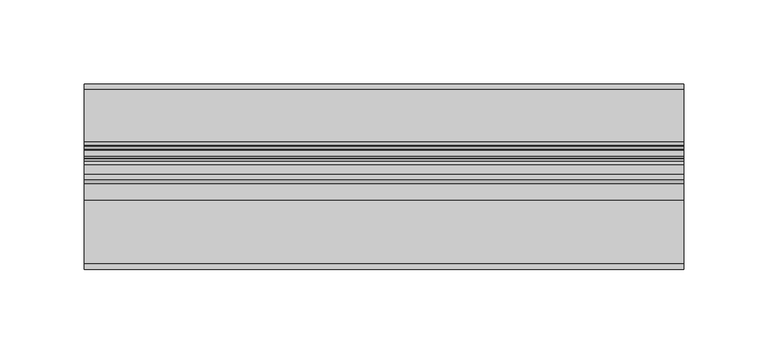
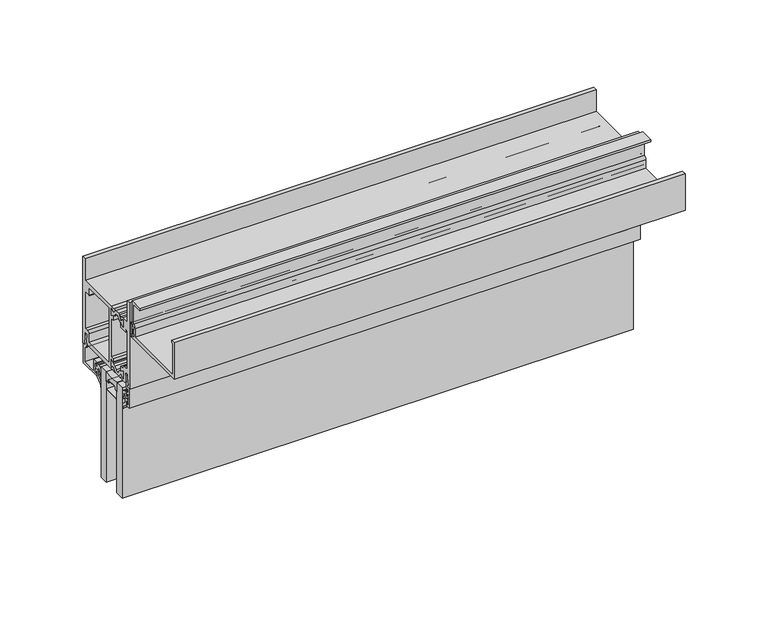
"""IFC4 building model written with IfcOpenShell, lengths in millimetres: plate geometry."""

from ifc_helpers import new_model, si_unit, point, frame, frame_2d, origin, place, context, project, spatial, polyline, circle_curve, trimmed, segment, composite_curve, outline, extrude, source, transform, mapped, element, save


def plate_1bfd8536(model_context):
    return source(origin(), model_context, "Body", "SweptSolid", [
        extrude(outline(composite_curve([segment(trimmed(circle_curve(frame_2d((-12.7, 252.348624)), 24.4943092), [point((-19.05, 228.6917289))], [point((-6.35, 228.6917289))], True, "CARTESIAN"), True, "CONTINUOUS"), segment(polyline([(-6.35, 228.6917289), (-6.35, 221.663957)]), True, "CONTINUOUS"), segment(trimmed(circle_curve(frame_2d((-7.14375, 221.663957)), 0.79375), [point((-6.35, 221.663957))], [point((-7.14375, 222.457707))], True, "CARTESIAN"), True, "CONTINUOUS"), segment(polyline([(-7.14375, 222.457707), (-8.3728775, 222.457707), (-8.3728775, 223.5556044)]), True, "CONTINUOUS"), segment(trimmed(circle_curve(frame_2d((-9.1666275, 223.5556044)), 0.79375), [point((-8.3728775, 223.5556044))], [point((-9.1666275, 224.3493544))], True, "CARTESIAN"), True, "CONTINUOUS"), segment(polyline([(-9.1666275, 224.3493544), (-16.2333725, 224.3493544)]), True, "CONTINUOUS"), segment(trimmed(circle_curve(frame_2d((-16.2333725, 223.5556044)), 0.79375), [point((-16.2333725, 224.3493544))], [point((-17.0271225, 223.5556044))], True, "CARTESIAN"), True, "CONTINUOUS"), segment(polyline([(-17.0271225, 223.5556044), (-17.0271225, 222.457707), (-18.25625, 222.457707)]), True, "CONTINUOUS"), segment(trimmed(circle_curve(frame_2d((-18.25625, 221.663957)), 0.79375), [point((-18.25625, 222.457707))], [point((-19.05, 221.663957))], True, "CARTESIAN"), True, "CONTINUOUS"), segment(polyline([(-19.05, 221.663957), (-19.05, 228.6917289)]), True, "CONTINUOUS")], self_intersect=False)), frame((-177.8, 0.0, 0.0), z_axis=(1.0, 0.0, 0.0), x_axis=(0.0, 1.0, 0.0)), (0.0, 0.0, 1.0), 355.6),
        extrude(outline(composite_curve([segment(trimmed(circle_curve(frame_2d((-23.1809622, 242.2374204)), 2.4892), [point((-24.4255622, 240.0817099))], [point((-23.5568194, 239.7767603))], True, "CARTESIAN"), True, "CONTINUOUS"), segment(trimmed(circle_curve(frame_2d((-23.9403472, 237.2658827)), 2.54), [point((-23.5568194, 239.7767603))], [point((-21.9860723, 238.8883529))], False, "CARTESIAN"), True, "CONTINUOUS"), segment(polyline([(-21.9860723, 238.8883529), (-20.6266866, 237.2509649)]), True, "CONTINUOUS"), segment(trimmed(circle_curve(frame_2d((-19.2977797, 238.3542447)), 1.7272), [point((-20.6266866, 237.2509649))], [point((-17.9688728, 237.2509649))], True, "CARTESIAN"), True, "CONTINUOUS"), segment(polyline([(-17.9688728, 237.2509649), (-16.6095134, 238.8883212)]), True, "CONTINUOUS"), segment(trimmed(circle_curve(frame_2d((-14.6552385, 237.2658509)), 2.54), [point((-16.6095134, 238.8883212))], [point((-15.0387663, 239.7767285))], False, "CARTESIAN"), True, "CONTINUOUS"), segment(trimmed(circle_curve(frame_2d((-15.4146236, 242.2373886)), 2.4892), [point((-15.0387663, 239.7767285))], [point((-14.1700236, 240.0816782))], True, "CARTESIAN"), True, "CONTINUOUS"), segment(polyline([(-14.1700236, 240.0816782), (-11.9953005, 241.3372551), (-11.9953005, 236.2412063), (-14.9359681, 237.8773974), (-17.566093, 234.7093966), (-21.029508, 234.7093966), (-23.6808354, 237.9029359), (-26.6003005, 235.8587044), (-26.6003005, 241.3372957), (-24.4255622, 240.0817099)]), True, "CONTINUOUS")], self_intersect=False)), frame((-177.8, 0.0, 0.0), z_axis=(1.0, 0.0, 0.0), x_axis=(0.0, 1.0, 0.0)), (0.0, 0.0, 1.0), 355.6),
        extrude(outline(composite_curve([segment(polyline([(-24.4255622, 275.1819988), (-26.6003005, 273.926413), (-26.6003005, 279.4050043), (-23.6808354, 277.3607728), (-21.029508, 280.5543121), (-17.566093, 280.5543121), (-14.9359681, 277.3863113), (-11.9953005, 279.0225024), (-11.9953005, 273.9264536), (-14.1700236, 275.1820305)]), True, "CONTINUOUS"), segment(trimmed(circle_curve(frame_2d((-15.4146236, 273.0263201)), 2.4892), [point((-14.1700236, 275.1820305))], [point((-15.0387663, 275.4869802))], True, "CARTESIAN"), True, "CONTINUOUS"), segment(trimmed(circle_curve(frame_2d((-14.6552385, 277.9978578)), 2.54), [point((-15.0387663, 275.4869802))], [point((-16.6095134, 276.3753875))], False, "CARTESIAN"), True, "CONTINUOUS"), segment(polyline([(-16.6095134, 276.3753875), (-17.9688728, 278.0127438)]), True, "CONTINUOUS"), segment(trimmed(circle_curve(frame_2d((-19.2977797, 276.909464)), 1.7272), [point((-17.9688728, 278.0127438))], [point((-20.6266866, 278.0127438))], True, "CARTESIAN"), True, "CONTINUOUS"), segment(polyline([(-20.6266866, 278.0127438), (-21.9860723, 276.3753558)]), True, "CONTINUOUS"), segment(trimmed(circle_curve(frame_2d((-23.9403472, 277.997826)), 2.54), [point((-21.9860723, 276.3753558))], [point((-23.5568194, 275.4869484))], False, "CARTESIAN"), True, "CONTINUOUS"), segment(trimmed(circle_curve(frame_2d((-23.1809622, 273.0262883)), 2.4892), [point((-23.5568194, 275.4869484))], [point((-24.4255622, 275.1819988))], True, "CARTESIAN"), True, "CONTINUOUS")], self_intersect=False)), frame((-177.8, 0.0, 0.0), z_axis=(1.0, 0.0, 0.0), x_axis=(0.0, 1.0, 0.0)), (0.0, 0.0, 1.0), 355.6),
        extrude(outline(composite_curve([segment(polyline([(-34.9514484, 282.0070547), (-34.9514484, 274.0822015)]), True, "CONTINUOUS"), segment(trimmed(circle_curve(frame_2d((-36.1452484, 274.0822015)), 1.1938), [point((-34.9514484, 274.0822015))], [point((-37.3390484, 274.0822015))], False, "CARTESIAN"), True, "CONTINUOUS"), segment(polyline([(-37.3390484, 274.0822015), (-37.3390484, 276.0883201), (-38.31675, 276.0883201), (-38.31675, 274.6151201), (-39.2186484, 274.6151201), (-39.2186484, 276.4693201), (-37.7962484, 276.4693201), (-37.7962484, 279.6189201), (-39.2186484, 279.6189201), (-39.2186484, 281.4731201), (-38.31675, 281.4731201), (-38.31675, 279.9999201), (-37.3390484, 279.9999201), (-37.3390484, 282.0070547)]), True, "CONTINUOUS"), segment(trimmed(circle_curve(frame_2d((-36.1452484, 282.0070547)), 1.1938), [point((-37.3390484, 282.0070547))], [point((-34.9514484, 282.0070547))], False, "CARTESIAN"), True, "CONTINUOUS")], self_intersect=False), holes=[composite_curve([segment(trimmed(circle_curve(frame_2d((-36.1452484, 282.0070547)), 0.6858), [point((-35.4594484, 282.0070547))], [point((-36.8310484, 282.0070547))], True, "CARTESIAN"), True, "CONTINUOUS"), segment(polyline([(-36.8310484, 282.0070547), (-36.8310484, 274.0822015)]), True, "CONTINUOUS"), segment(trimmed(circle_curve(frame_2d((-36.1452484, 274.0822015)), 0.6858), [point((-36.8310484, 274.0822015))], [point((-35.4594484, 274.0822015))], True, "CARTESIAN"), True, "CONTINUOUS"), segment(polyline([(-35.4594484, 274.0822015), (-35.4594484, 282.0070547)]), True, "CONTINUOUS")], self_intersect=False)]), frame((-177.8, 0.0, 0.0), z_axis=(1.0, 0.0, 0.0), x_axis=(0.0, 1.0, 0.0)), (0.0, 0.0, 1.0), 355.6),
        extrude(outline(polyline([(-177.8, -6.35), (-177.8, 0.0), (177.8, 0.0), (177.8, -6.35), (-177.8, -6.35)])), frame((0.0, 0.0, 147.2847153), z_axis=(0.0, 0.0, 1.0), x_axis=(1.0, 0.0, 0.0)), (0.0, 0.0, 1.0), 81.4070136),
        extrude(outline(polyline([(-177.8, -25.4), (-177.8, -19.05), (177.8, -19.05), (177.8, -25.4), (-177.8, -25.4)])), frame((0.0, 0.0, 147.2847153), z_axis=(0.0, 0.0, 1.0), x_axis=(1.0, 0.0, 0.0)), (0.0, 0.0, 1.0), 81.4070136),
        extrude(outline(composite_curve([segment(polyline([(1.2146236, 217.7547881), (3.6195019, 220.0298082), (3.6195019, 223.3964394)]), True, "CONTINUOUS"), segment(trimmed(circle_curve(frame_2d((3.9370017, 223.7514153)), 0.47625), [point((3.6195019, 223.3964394))], [point((3.619501, 224.1063905))], True, "CARTESIAN"), True, "CONTINUOUS"), segment(polyline([(3.619501, 224.1063905), (3.619501, 225.6894264)]), True, "CONTINUOUS"), segment(trimmed(circle_curve(frame_2d((3.1116463, 224.2840488)), 1.4943235), [point((3.619501, 225.6894264))], [point((1.6174209, 224.301171))], True, "CARTESIAN"), True, "CONTINUOUS"), segment(polyline([(1.6174209, 224.301171), (0.5798898, 220.9663861)]), True, "CONTINUOUS"), segment(trimmed(circle_curve(frame_2d((0.2963183, 221.0546119)), 0.2969791), [point((0.5798898, 220.9663861))], [point((0.0, 221.0348119))], False, "CARTESIAN"), True, "CONTINUOUS"), segment(polyline([(0.0, 221.0348119), (0.0, 225.0824819)]), True, "CONTINUOUS"), segment(trimmed(circle_curve(frame_2d((2.8819649, 225.2349635)), 2.8859959), [point((0.0, 225.0824819))], [point((2.7993723, 228.1197774))], False, "CARTESIAN"), True, "CONTINUOUS"), segment(polyline([(2.7993723, 228.1197774), (3.619501, 228.1432578), (4.7625003, 228.1432578), (4.7625003, 225.2246164), (6.1341013, 225.2246164), (6.1341013, 226.5374454)]), True, "CONTINUOUS"), segment(trimmed(circle_curve(frame_2d((6.4896997, 226.8248149)), 0.4571996), [point((6.1341013, 226.5374454))], [point((6.9468994, 226.8248149))], False, "CARTESIAN"), True, "CONTINUOUS"), segment(polyline([(6.9468994, 226.8248149), (6.9468994, 224.7570221)]), True, "CONTINUOUS"), segment(trimmed(circle_curve(frame_2d((6.4706494, 224.7065795)), 0.4789139), [point((6.9468994, 224.7570221))], [point((6.4706494, 224.2276656))], False, "CARTESIAN"), True, "CONTINUOUS"), segment(trimmed(circle_curve(frame_2d((6.4706494, 223.7514156)), 0.47625), [point((6.4706494, 224.2276656))], [point((6.4706494, 223.2751656))], True, "CARTESIAN"), True, "CONTINUOUS"), segment(trimmed(circle_curve(frame_2d((6.3248962, 222.6704806)), 0.6220032), [point((6.4706494, 223.2751656))], [point((6.9468994, 222.6704806))], False, "CARTESIAN"), True, "CONTINUOUS"), segment(polyline([(6.9468994, 222.6704806), (6.9468994, 220.6780162)]), True, "CONTINUOUS"), segment(trimmed(circle_curve(frame_2d((6.4896997, 220.6780162)), 0.4571996), [point((6.9468994, 220.6780162))], [point((6.134102, 220.9653866))], False, "CARTESIAN"), True, "CONTINUOUS"), segment(polyline([(6.134102, 220.9653866), (6.134102, 222.2782299), (4.7625003, 222.2782299), (4.7625003, 218.4065425), (1.4889495, 215.9053304)]), True, "CONTINUOUS"), segment(trimmed(circle_curve(frame_2d((3.0879023, 213.93243)), 2.5394854), [point((1.4889495, 215.9053304))], [point((0.5496136, 213.8544755))], True, "CARTESIAN"), True, "CONTINUOUS"), segment(trimmed(circle_curve(frame_2d((0.2748716, 213.8460377)), 0.2748716), [point((0.5496136, 213.8544755))], [point((0.0, 213.8460377))], False, "CARTESIAN"), True, "CONTINUOUS"), segment(polyline([(0.0, 213.8460377), (0.0, 215.5592614)]), True, "CONTINUOUS"), segment(trimmed(circle_curve(frame_2d((3.0412561, 215.3105023)), 3.0514128), [point((0.0, 215.5592614))], [point((1.2146236, 217.7547881))], False, "CARTESIAN"), True, "CONTINUOUS")], self_intersect=False)), frame((-177.8, 0.0, 0.0), z_axis=(1.0, 0.0, 0.0), x_axis=(0.0, 1.0, 0.0)), (0.0, 0.0, 1.0), 355.6),
        extrude(outline(composite_curve([segment(trimmed(circle_curve(frame_2d((-28.4412561, 215.3105023)), 3.0514128), [point((-26.6146236, 217.7547881))], [point((-25.4, 215.5592614))], False, "CARTESIAN"), True, "CONTINUOUS"), segment(polyline([(-25.4, 215.5592614), (-25.4, 213.8460377)]), True, "CONTINUOUS"), segment(trimmed(circle_curve(frame_2d((-25.6748716, 213.8460377)), 0.2748716), [point((-25.4, 213.8460377))], [point((-25.9496136, 213.8544755))], False, "CARTESIAN"), True, "CONTINUOUS"), segment(trimmed(circle_curve(frame_2d((-28.4879023, 213.93243)), 2.5394854), [point((-25.9496136, 213.8544755))], [point((-26.8889495, 215.9053304))], True, "CARTESIAN"), True, "CONTINUOUS"), segment(polyline([(-26.8889495, 215.9053304), (-30.1625003, 218.4065425), (-30.1625003, 222.2782299), (-31.534102, 222.2782299), (-31.534102, 220.9653866)]), True, "CONTINUOUS"), segment(trimmed(circle_curve(frame_2d((-31.8896997, 220.6780162)), 0.4571996), [point((-31.534102, 220.9653866))], [point((-32.3468994, 220.6780162))], False, "CARTESIAN"), True, "CONTINUOUS"), segment(polyline([(-32.3468994, 220.6780162), (-32.3468994, 222.6704806)]), True, "CONTINUOUS"), segment(trimmed(circle_curve(frame_2d((-31.7248962, 222.6704806)), 0.6220032), [point((-32.3468994, 222.6704806))], [point((-31.8706494, 223.2751656))], False, "CARTESIAN"), True, "CONTINUOUS"), segment(trimmed(circle_curve(frame_2d((-31.8706494, 223.7514156)), 0.47625), [point((-31.8706494, 223.2751656))], [point((-31.8706494, 224.2276656))], True, "CARTESIAN"), True, "CONTINUOUS"), segment(trimmed(circle_curve(frame_2d((-31.8706494, 224.7065795)), 0.4789139), [point((-31.8706494, 224.2276656))], [point((-32.3468994, 224.7570221))], False, "CARTESIAN"), True, "CONTINUOUS"), segment(polyline([(-32.3468994, 224.7570221), (-32.3468994, 226.8248149)]), True, "CONTINUOUS"), segment(trimmed(circle_curve(frame_2d((-31.8896997, 226.8248149)), 0.4571996), [point((-32.3468994, 226.8248149))], [point((-31.5341013, 226.5374454))], False, "CARTESIAN"), True, "CONTINUOUS"), segment(polyline([(-31.5341013, 226.5374454), (-31.5341013, 225.2246164), (-30.1625, 225.2246164), (-30.1625, 228.1432578), (-29.019501, 228.1432578), (-28.1993723, 228.1197774)]), True, "CONTINUOUS"), segment(trimmed(circle_curve(frame_2d((-28.2819649, 225.2349635)), 2.8859959), [point((-28.1993723, 228.1197774))], [point((-25.4, 225.0824819))], False, "CARTESIAN"), True, "CONTINUOUS"), segment(polyline([(-25.4, 225.0824819), (-25.4, 221.0348119)]), True, "CONTINUOUS"), segment(trimmed(circle_curve(frame_2d((-25.6963183, 221.0546119)), 0.2969791), [point((-25.4, 221.0348119))], [point((-25.9798898, 220.9663861))], False, "CARTESIAN"), True, "CONTINUOUS"), segment(polyline([(-25.9798898, 220.9663861), (-27.0174209, 224.301171)]), True, "CONTINUOUS"), segment(trimmed(circle_curve(frame_2d((-28.5116463, 224.2840488)), 1.4943235), [point((-27.0174209, 224.301171))], [point((-29.019501, 225.6894264))], True, "CARTESIAN"), True, "CONTINUOUS"), segment(polyline([(-29.019501, 225.6894264), (-29.019501, 224.1063905)]), True, "CONTINUOUS"), segment(trimmed(circle_curve(frame_2d((-29.3370017, 223.7514153)), 0.47625), [point((-29.019501, 224.1063905))], [point((-29.0195019, 223.3964394))], True, "CARTESIAN"), True, "CONTINUOUS"), segment(polyline([(-29.0195019, 223.3964394), (-29.0195019, 220.0298082), (-26.6146236, 217.7547881)]), True, "CONTINUOUS")], self_intersect=False)), frame((-177.8, 0.0, 0.0), z_axis=(1.0, 0.0, 0.0), x_axis=(0.0, 1.0, 0.0)), (0.0, 0.0, 1.0), 355.6),
        extrude(outline(composite_curve([segment(trimmed(circle_curve(frame_2d((19.0500001, 234.7414348)), 1.4732), [point((17.5768001, 234.7414348))], [point((18.2080195, 235.9503131))], False, "CARTESIAN"), True, "CONTINUOUS"), segment(polyline([(18.2080195, 235.9503131), (17.0960031, 242.0744148), (18.4105948, 242.0744148), (19.7607074, 234.6405968), (18.9879884, 234.7500377), (18.9879884, 233.0353133), (21.4376001, 232.9050148), (21.4376001, 218.6302148), (4.9022001, 218.6302148), (4.7752001, 220.6622148)]), True, "CONTINUOUS"), segment(trimmed(circle_curve(frame_2d((5.5881395, 220.6621578)), 0.8129393), [point((4.7752001, 220.6622148))], [point((5.7899301, 221.4496544))], False, "CARTESIAN"), True, "CONTINUOUS"), segment(polyline([(5.7899301, 221.4496544), (5.7899301, 219.9002148), (7.1628001, 219.9002148), (7.1628001, 227.3932148), (5.7899301, 227.3932148), (5.7899301, 225.8437751)]), True, "CONTINUOUS"), segment(trimmed(circle_curve(frame_2d((5.5881398, 226.6312721)), 0.8129397), [point((5.7899301, 225.8437751))], [point((4.7752001, 226.6312721))], False, "CARTESIAN"), True, "CONTINUOUS"), segment(polyline([(4.7752001, 226.6312721), (4.7752001, 228.6632148), (8.7376001, 228.6632148), (8.7376001, 220.1034148), (19.9644001, 220.1034148), (19.9644001, 231.5588148), (19.0500001, 231.5588148)]), True, "CONTINUOUS"), segment(trimmed(circle_curve(frame_2d((19.0500001, 233.0320148)), 1.4732), [point((19.0500001, 231.5588148))], [point((17.5768001, 233.0320148))], False, "CARTESIAN"), True, "CONTINUOUS"), segment(polyline([(17.5768001, 233.0320148), (17.5768001, 234.7414348)]), True, "CONTINUOUS")], self_intersect=False)), frame((-177.8, 0.0, 0.0), z_axis=(1.0, 0.0, 0.0), x_axis=(0.0, 1.0, 0.0)), (0.0, 0.0, 1.0), 355.6),
        extrude(outline(composite_curve([segment(polyline([(-8.3728775, 223.5556044), (-8.3728775, 222.457707), (-7.14375, 222.457707)]), True, "CONTINUOUS"), segment(trimmed(circle_curve(frame_2d((-7.14375, 221.663957)), 0.79375), [point((-7.14375, 222.457707))], [point((-6.35, 221.663957))], False, "CARTESIAN"), True, "CONTINUOUS"), segment(polyline([(-6.35, 221.663957), (-6.35, 216.7854789)]), True, "CONTINUOUS"), segment(trimmed(circle_curve(frame_2d((-7.14375, 216.7854789)), 0.79375), [point((-6.35, 216.7854789))], [point((-7.14375, 215.9917289))], False, "CARTESIAN"), True, "CONTINUOUS"), segment(polyline([(-7.14375, 215.9917289), (-18.25625, 215.9917289)]), True, "CONTINUOUS"), segment(trimmed(circle_curve(frame_2d((-18.25625, 216.7854789)), 0.79375), [point((-18.25625, 215.9917289))], [point((-19.05, 216.7854789))], False, "CARTESIAN"), True, "CONTINUOUS"), segment(polyline([(-19.05, 216.7854789), (-19.05, 221.663957)]), True, "CONTINUOUS"), segment(trimmed(circle_curve(frame_2d((-18.25625, 221.663957)), 0.79375), [point((-19.05, 221.663957))], [point((-18.25625, 222.457707))], False, "CARTESIAN"), True, "CONTINUOUS"), segment(polyline([(-18.25625, 222.457707), (-17.0271225, 222.457707), (-17.0271225, 223.5556044)]), True, "CONTINUOUS"), segment(trimmed(circle_curve(frame_2d((-16.2333725, 223.5556044)), 0.79375), [point((-17.0271225, 223.5556044))], [point((-16.2333725, 224.3493544))], False, "CARTESIAN"), True, "CONTINUOUS"), segment(polyline([(-16.2333725, 224.3493544), (-9.1666275, 224.3493544)]), True, "CONTINUOUS"), segment(trimmed(circle_curve(frame_2d((-9.1666275, 223.5556044)), 0.79375), [point((-9.1666275, 224.3493544))], [point((-8.3728775, 223.5556044))], False, "CARTESIAN"), True, "CONTINUOUS")], self_intersect=False), holes=[composite_curve([segment(polyline([(-16.5191225, 223.8413544), (-16.5191225, 222.743457)]), True, "CONTINUOUS"), segment(trimmed(circle_curve(frame_2d((-17.3128725, 222.743457)), 0.79375), [point((-16.5191225, 222.743457))], [point((-17.3128725, 221.949707))], False, "CARTESIAN"), True, "CONTINUOUS"), segment(polyline([(-17.3128725, 221.949707), (-18.542, 221.949707), (-18.542, 216.4997289), (-6.858, 216.4997289), (-6.858, 221.949707), (-8.0871275, 221.949707)]), True, "CONTINUOUS"), segment(trimmed(circle_curve(frame_2d((-8.0871275, 222.743457)), 0.79375), [point((-8.0871275, 221.949707))], [point((-8.8808775, 222.743457))], False, "CARTESIAN"), True, "CONTINUOUS"), segment(polyline([(-8.8808775, 222.743457), (-8.8808775, 223.8413544), (-16.5191225, 223.8413544)]), True, "CONTINUOUS")], self_intersect=False)]), frame((-177.8, 0.0, 0.0), z_axis=(1.0, 0.0, 0.0), x_axis=(0.0, 1.0, 0.0)), (0.0, 0.0, 1.0), 355.6),
        extrude(outline(composite_curve([segment(polyline([(-34.1276564, 218.7349153), (-34.0673249, 232.9997986), (-31.6471876, 232.9997986), (-31.6471876, 234.631996), (-32.4372227, 234.5209638), (-31.0981976, 241.9539199), (-29.8175355, 241.8307794), (-30.9128526, 235.7506519)]), True, "CONTINUOUS"), segment(trimmed(circle_curve(frame_2d((-31.7464064, 234.5359477)), 1.4732), [point((-30.9128526, 235.7506519))], [point((-30.2732064, 234.5359477))], False, "CARTESIAN"), True, "CONTINUOUS"), segment(polyline([(-30.2732064, 234.5359477), (-30.2732064, 233.0224153)]), True, "CONTINUOUS"), segment(trimmed(circle_curve(frame_2d((-31.7464064, 233.0224153)), 1.4732), [point((-30.2732064, 233.0224153))], [point((-31.7464064, 231.5492153))], False, "CARTESIAN"), True, "CONTINUOUS"), segment(polyline([(-31.7464064, 231.5492153), (-32.6544564, 231.5492153), (-32.6544564, 228.7679153), (-30.1589064, 228.7679153), (-30.1589064, 226.7486153)]), True, "CONTINUOUS"), segment(trimmed(circle_curve(frame_2d((-30.9717064, 226.7486153)), 0.8128), [point((-30.1589064, 226.7486153))], [point((-31.1749064, 225.9616251))], False, "CARTESIAN"), True, "CONTINUOUS"), segment(polyline([(-31.1749064, 225.9616251), (-31.1749064, 227.4979153), (-32.5401564, 227.4979153), (-32.5401564, 220.0049153), (-31.1749064, 220.0049153), (-31.1749064, 221.5666055)]), True, "CONTINUOUS"), segment(trimmed(circle_curve(frame_2d((-30.9717064, 220.7796153)), 0.8128), [point((-31.1749064, 221.5666055))], [point((-30.1589064, 220.7796153))], False, "CARTESIAN"), True, "CONTINUOUS"), segment(polyline([(-30.1589064, 220.7796153), (-30.2859064, 218.7349153), (-34.1276564, 218.7349153)]), True, "CONTINUOUS")], self_intersect=False)), frame((-177.8, 0.0, 0.0), z_axis=(1.0, 0.0, 0.0), x_axis=(0.0, 1.0, 0.0)), (0.0, 0.0, 1.0), 355.6),
        extrude(outline(composite_curve([segment(trimmed(circle_curve(frame_2d((19.0500001, 234.7414348)), 1.4732), [point((17.5768001, 234.7414348))], [point((18.2080195, 235.9503131))], False, "CARTESIAN"), True, "CONTINUOUS"), segment(polyline([(18.2080195, 235.9503131), (17.0960031, 242.0744148), (18.4105948, 242.0744148), (19.7607074, 234.6405968), (18.9879884, 234.7500377), (18.9879884, 233.0353133), (21.4376001, 232.9050148), (21.4376001, 218.6302148), (4.9022001, 218.6302148), (4.7752001, 220.6622148)]), True, "CONTINUOUS"), segment(trimmed(circle_curve(frame_2d((5.5881395, 220.6621578)), 0.8129393), [point((4.7752001, 220.6622148))], [point((5.7899301, 221.4496544))], False, "CARTESIAN"), True, "CONTINUOUS"), segment(polyline([(5.7899301, 221.4496544), (5.7899301, 219.9002148), (7.1628001, 219.9002148), (7.1628001, 227.3932148), (5.7899301, 227.3932148), (5.7899301, 225.8437751)]), True, "CONTINUOUS"), segment(trimmed(circle_curve(frame_2d((5.5881398, 226.6312721)), 0.8129397), [point((5.7899301, 225.8437751))], [point((4.7752001, 226.6312721))], False, "CARTESIAN"), True, "CONTINUOUS"), segment(polyline([(4.7752001, 226.6312721), (4.7752001, 228.6632148), (8.7376001, 228.6632148), (8.7376001, 220.1034148), (19.9644001, 220.1034148), (19.9644001, 231.5588148), (19.0500001, 231.5588148)]), True, "CONTINUOUS"), segment(trimmed(circle_curve(frame_2d((19.0500001, 233.0320148)), 1.4732), [point((19.0500001, 231.5588148))], [point((17.5768001, 233.0320148))], False, "CARTESIAN"), True, "CONTINUOUS"), segment(polyline([(17.5768001, 233.0320148), (17.5768001, 234.7414348)]), True, "CONTINUOUS")], self_intersect=False)), frame((-177.8, 0.0, 0.0), z_axis=(1.0, 0.0, 0.0), x_axis=(0.0, 1.0, 0.0)), (0.0, 0.0, 1.0), 355.6),
        extrude(outline(composite_curve([segment(trimmed(circle_curve(frame_2d((-37.73499, 280.7617153)), 0.4318), [point((-37.30319, 280.7617153))], [point((-38.1346289, 280.9252391))], False, "CARTESIAN"), True, "CONTINUOUS"), segment(trimmed(circle_curve(frame_2d((-38.7116898, 281.1613602)), 0.6235002), [point((-38.1346289, 280.9252391))], [point((-39.33519, 281.1613602))], True, "CARTESIAN"), True, "CONTINUOUS"), segment(polyline([(-39.33519, 281.1613602), (-39.33519, 274.8689153)]), True, "CONTINUOUS"), segment(trimmed(circle_curve(frame_2d((-38.7222466, 274.9629884)), 0.6201205), [point((-39.33519, 274.8689153))], [point((-38.1402463, 275.1770563))], True, "CARTESIAN"), True, "CONTINUOUS"), segment(trimmed(circle_curve(frame_2d((-37.73499, 275.3261153)), 0.4318), [point((-38.1402463, 275.1770563))], [point((-37.30319, 275.3261153))], False, "CARTESIAN"), True, "CONTINUOUS"), segment(polyline([(-37.30319, 275.3261153), (-37.30319, 273.4973153)]), True, "CONTINUOUS"), segment(trimmed(circle_curve(frame_2d((-38.09059, 273.4973153)), 0.7874), [point((-37.30319, 273.4973153))], [point((-38.09059, 272.7099153))], False, "CARTESIAN"), True, "CONTINUOUS"), segment(polyline([(-38.09059, 272.7099153), (-88.1032275, 272.7099153), (-88.1032275, 299.6847153), (-84.9355861, 299.6294716), (-84.9355861, 298.1099153), (-86.5284275, 298.1099153), (-86.5284275, 275.0975153), (-40.9173861, 275.0975153), (-40.9173861, 281.2189153)]), True, "CONTINUOUS"), segment(trimmed(circle_curve(frame_2d((-38.7583861, 281.2189153)), 2.159), [point((-40.9173861, 281.2189153))], [point((-38.8853861, 283.3741768))], False, "CARTESIAN"), True, "CONTINUOUS"), segment(polyline([(-38.8853861, 283.3741768), (-38.8853861, 298.1099153), (-46.8282275, 298.1099153), (-46.8282275, 299.5183453), (-37.30319, 299.6847153), (-37.30319, 280.7617153)]), True, "CONTINUOUS")], self_intersect=False)), frame((-177.8, 0.0, 0.0), z_axis=(1.0, 0.0, 0.0), x_axis=(0.0, 1.0, 0.0)), (0.0, 0.0, 1.0), 355.6),
        extrude(outline(composite_curve([segment(polyline([(19.0500001, 280.6474153), (19.0500001, 296.5224153), (21.8948001, 296.5224153), (21.8948001, 233.0224153), (19.0500001, 233.0224153), (19.0500001, 234.2924153), (19.862795, 234.2924153), (19.4499993, 242.5220153), (17.0688001, 242.5220153), (17.0688001, 236.1910934)]), True, "CONTINUOUS"), segment(trimmed(circle_curve(frame_2d((15.4940001, 236.1910934)), 1.5748), [point((17.0688001, 236.1910934))], [point((15.4940001, 234.6162934))], False, "CARTESIAN"), True, "CONTINUOUS"), segment(polyline([(15.4940001, 234.6162934), (-12.4616861, 234.6162934), (-14.6792966, 235.2105003), (-15.283713, 234.707152)]), True, "CONTINUOUS"), segment(trimmed(circle_curve(frame_2d((-15.8690069, 235.287496)), 0.8242378), [point((-15.283713, 234.707152))], [point((-16.5466491, 235.7567177))], False, "CARTESIAN"), True, "CONTINUOUS"), segment(polyline([(-16.5466491, 235.7567177), (-15.8444381, 236.7708392), (-14.1842071, 237.500107), (-12.9464135, 236.3561103)]), True, "CONTINUOUS"), segment(trimmed(circle_curve(frame_2d((-12.3966681, 236.5800475)), 0.5936058), [point((-12.9464135, 236.3561103))], [point((-11.8030624, 236.5800475))], True, "CARTESIAN"), True, "CONTINUOUS"), segment(polyline([(-11.8030624, 236.5800475), (-11.8030624, 241.6113576), (-14.8259799, 241.1722604), (-14.8259799, 243.3199966), (-12.4078999, 243.3199966), (-12.4078999, 271.9437121), (-14.8259799, 271.9437121), (-14.8259799, 274.8939851), (-12.0014999, 274.4837121), (-12.0014999, 278.6836612)]), True, "CONTINUOUS"), segment(trimmed(circle_curve(frame_2d((-12.5951057, 278.6836612)), 0.5936058), [point((-12.0014999, 278.6836612))], [point((-13.1887114, 278.6836612))], True, "CARTESIAN"), True, "CONTINUOUS"), segment(polyline([(-13.1887114, 278.6836612), (-14.1842071, 277.7636016), (-15.8444381, 278.4928695), (-16.5466491, 279.506991)]), True, "CONTINUOUS"), segment(trimmed(circle_curve(frame_2d((-15.8690069, 279.9762127)), 0.8242378), [point((-16.5466491, 279.506991))], [point((-15.283713, 280.5565566))], False, "CARTESIAN"), True, "CONTINUOUS"), segment(polyline([(-15.283713, 280.5565566), (-14.6792966, 280.0532084), (-12.4616861, 280.6474153), (19.0500001, 280.6474153)]), True, "CONTINUOUS")], self_intersect=False), holes=[composite_curve([segment(trimmed(circle_curve(frame_2d((15.0876001, 272.7311121)), 0.7874), [point((15.0876001, 271.9437121))], [point((14.3002001, 272.7311121))], False, "CARTESIAN"), True, "CONTINUOUS"), segment(polyline([(14.3002001, 272.7311121), (14.3002001, 277.4724153), (-9.2328999, 277.4724153), (-9.2328999, 237.7912934), (14.3002001, 237.7912934), (14.3002001, 244.1222153)]), True, "CONTINUOUS"), segment(trimmed(circle_curve(frame_2d((15.8750001, 244.1222153)), 1.5748), [point((14.3002001, 244.1222153))], [point((15.8750001, 245.6970153))], False, "CARTESIAN"), True, "CONTINUOUS"), segment(polyline([(15.8750001, 245.6970153), (18.7198001, 245.6970153), (18.7198001, 271.9437121), (15.0876001, 271.9437121)]), True, "CONTINUOUS")], self_intersect=False)]), frame((-177.8, 0.0, 0.0), z_axis=(1.0, 0.0, 0.0), x_axis=(0.0, 1.0, 0.0)), (0.0, 0.0, 1.0), 355.6),
        extrude(outline(composite_curve([segment(polyline([(-23.7820199, 239.8550278), (-26.6064999, 241.4857421), (-26.6064999, 236.5918521)]), True, "CONTINUOUS"), segment(trimmed(circle_curve(frame_2d((-26.0984998, 236.5918521)), 0.508), [point((-26.6064999, 236.5918521))], [point((-26.0926066, 236.0838862))], True, "CARTESIAN"), True, "CONTINUOUS"), segment(polyline([(-26.0926066, 236.0838862), (-24.4021052, 237.5023853), (-22.7635618, 236.7826438), (-21.9926524, 235.6693093), (-21.9926524, 234.6280979), (-23.1924006, 234.6280979), (-23.8073259, 235.2430233), (-26.146241, 234.6163129), (-28.1861634, 234.6163129)]), True, "CONTINUOUS"), segment(trimmed(circle_curve(frame_2d((-28.1939999, 236.1910934)), 1.5748), [point((-28.1861634, 234.6163129))], [point((-29.7687999, 236.1910934))], False, "CARTESIAN"), True, "CONTINUOUS"), segment(polyline([(-29.7687999, 236.1910934), (-29.7687999, 242.5220153), (-32.1499991, 242.5220153), (-32.5627999, 234.2924153), (-31.7499999, 234.2924153), (-31.7499999, 233.0224153), (-34.5947999, 233.0224153), (-34.5947999, 296.5224153), (-31.7499999, 296.5224153), (-31.7499999, 280.6474153), (-26.1463137, 280.6474153), (-23.9287032, 280.0532084), (-22.4438438, 280.6474153), (-21.9101175, 279.7229743), (-22.7675508, 278.4984326), (-24.238078, 277.7465668), (-26.6064998, 279.4049536), (-26.6064998, 273.7897712), (-23.7820198, 275.4204855), (-23.7820198, 271.9437121), (-29.7698572, 271.9437121), (-29.7698572, 273.4424337)]), True, "CONTINUOUS"), segment(trimmed(circle_curve(frame_2d((-30.5958838, 273.4424337)), 0.8260266), [point((-29.7698572, 273.4424337))], [point((-31.4219104, 273.4424337))], True, "CARTESIAN"), True, "CONTINUOUS"), segment(polyline([(-31.4219104, 273.4424337), (-31.4219104, 245.6970153), (-28.1685999, 245.6970153)]), True, "CONTINUOUS"), segment(trimmed(circle_curve(frame_2d((-28.1685999, 244.1222153)), 1.5748), [point((-28.1685999, 245.6970153))], [point((-26.8134467, 243.3199966))], False, "CARTESIAN"), True, "CONTINUOUS"), segment(polyline([(-26.8134467, 243.3199966), (-23.7820199, 243.3199966), (-23.7820199, 239.8550278)]), True, "CONTINUOUS")], self_intersect=False)), frame((-177.8, 0.0, 0.0), z_axis=(1.0, 0.0, 0.0), x_axis=(0.0, 1.0, 0.0)), (0.0, 0.0, 1.0), 355.6),
        extrude(outline(composite_curve([segment(trimmed(circle_curve(frame_2d((-23.1809622, 242.2374204)), 2.4892), [point((-24.4255622, 240.0817099))], [point((-23.5568194, 239.7767603))], True, "CARTESIAN"), True, "CONTINUOUS"), segment(trimmed(circle_curve(frame_2d((-23.9403472, 237.2658827)), 2.54), [point((-23.5568194, 239.7767603))], [point((-21.9860723, 238.8883529))], False, "CARTESIAN"), True, "CONTINUOUS"), segment(polyline([(-21.9860723, 238.8883529), (-20.6266866, 237.2509649)]), True, "CONTINUOUS"), segment(trimmed(circle_curve(frame_2d((-19.2977797, 238.3542447)), 1.7272), [point((-20.6266866, 237.2509649))], [point((-17.9688728, 237.2509649))], True, "CARTESIAN"), True, "CONTINUOUS"), segment(polyline([(-17.9688728, 237.2509649), (-16.6095134, 238.8883212)]), True, "CONTINUOUS"), segment(trimmed(circle_curve(frame_2d((-14.6552385, 237.2658509)), 2.54), [point((-16.6095134, 238.8883212))], [point((-15.0387663, 239.7767285))], False, "CARTESIAN"), True, "CONTINUOUS"), segment(trimmed(circle_curve(frame_2d((-15.4146236, 242.2373886)), 2.4892), [point((-15.0387663, 239.7767285))], [point((-14.1700236, 240.0816782))], True, "CARTESIAN"), True, "CONTINUOUS"), segment(polyline([(-14.1700236, 240.0816782), (-11.9953005, 241.3372551), (-11.9953005, 236.2412063), (-14.9359681, 237.8773974), (-17.566093, 234.7093966), (-21.029508, 234.7093966), (-23.6808354, 237.9029359), (-26.6003005, 235.8587044), (-26.6003005, 241.3372957), (-24.4255622, 240.0817099)]), True, "CONTINUOUS")], self_intersect=False)), frame((-177.8, 0.0, 0.0), z_axis=(1.0, 0.0, 0.0), x_axis=(0.0, 1.0, 0.0)), (0.0, 0.0, 1.0), 355.6),
        extrude(outline(composite_curve([segment(polyline([(-24.4237926, 275.0952127), (-26.6064999, 273.8807516), (-26.6064999, 278.9273785), (-23.6747435, 277.2347282), (-21.0357074, 280.4134626), (-17.5722923, 280.4134626), (-14.9421674, 277.2454618), (-12.1999374, 278.771242), (-12.1999374, 274.3678166), (-14.1197627, 275.2068338)]), True, "CONTINUOUS"), segment(trimmed(circle_curve(frame_2d((-15.3643627, 273.0511234)), 2.4892), [point((-14.1197627, 275.2068338))], [point((-14.9885054, 275.5117834))], True, "CARTESIAN"), True, "CONTINUOUS"), segment(trimmed(circle_curve(frame_2d((-14.6049777, 278.0226611)), 2.54), [point((-14.9885054, 275.5117834))], [point((-16.5592525, 276.4001908))], False, "CARTESIAN"), True, "CONTINUOUS"), segment(polyline([(-16.5592525, 276.4001908), (-17.8965359, 278.0109564)]), True, "CONTINUOUS"), segment(trimmed(circle_curve(frame_2d((-19.2254428, 276.9076766)), 1.7272), [point((-17.8965359, 278.0109564))], [point((-20.5543497, 278.0109564))], True, "CARTESIAN"), True, "CONTINUOUS"), segment(polyline([(-20.5543497, 278.0109564), (-21.9843027, 276.2885697)]), True, "CONTINUOUS"), segment(trimmed(circle_curve(frame_2d((-23.9385776, 277.91104)), 2.54), [point((-21.9843027, 276.2885697))], [point((-23.5550498, 275.4001623))], False, "CARTESIAN"), True, "CONTINUOUS"), segment(trimmed(circle_curve(frame_2d((-23.1791926, 272.9395023)), 2.4892), [point((-23.5550498, 275.4001623))], [point((-24.4237926, 275.0952127))], True, "CARTESIAN"), True, "CONTINUOUS")], self_intersect=False)), frame((-177.8, 0.0, 0.0), z_axis=(1.0, 0.0, 0.0), x_axis=(0.0, 1.0, 0.0)), (0.0, 0.0, 1.0), 355.6),
        extrude(outline(composite_curve([segment(polyline([(19.0500001, 280.6474153), (19.0500001, 296.5224153), (21.8948001, 296.5224153), (21.8948001, 233.0224153), (19.0500001, 233.0224153), (19.0500001, 234.2924153), (19.862795, 234.2924153), (19.4499993, 242.5220153), (17.0688001, 242.5220153), (17.0688001, 236.1910934)]), True, "CONTINUOUS"), segment(trimmed(circle_curve(frame_2d((15.4940001, 236.1910934)), 1.5748), [point((17.0688001, 236.1910934))], [point((15.4940001, 234.6162934))], False, "CARTESIAN"), True, "CONTINUOUS"), segment(polyline([(15.4940001, 234.6162934), (-12.4616861, 234.6162934), (-14.6792966, 235.2105003), (-15.283713, 234.707152)]), True, "CONTINUOUS"), segment(trimmed(circle_curve(frame_2d((-15.8690069, 235.287496)), 0.8242378), [point((-15.283713, 234.707152))], [point((-16.5466491, 235.7567177))], False, "CARTESIAN"), True, "CONTINUOUS"), segment(polyline([(-16.5466491, 235.7567177), (-15.8444381, 236.7708392), (-14.1842071, 237.500107), (-12.9464135, 236.3561103)]), True, "CONTINUOUS"), segment(trimmed(circle_curve(frame_2d((-12.3966681, 236.5800475)), 0.5936058), [point((-12.9464135, 236.3561103))], [point((-11.8030624, 236.5800475))], True, "CARTESIAN"), True, "CONTINUOUS"), segment(polyline([(-11.8030624, 236.5800475), (-11.8030624, 241.6113576), (-14.8259799, 241.1722604), (-14.8259799, 243.3199966), (-12.4078999, 243.3199966), (-12.4078999, 271.9437121), (-14.8259799, 271.9437121), (-14.8259799, 274.8939851), (-12.0014999, 274.4837121), (-12.0014999, 278.6836612)]), True, "CONTINUOUS"), segment(trimmed(circle_curve(frame_2d((-12.5951057, 278.6836612)), 0.5936058), [point((-12.0014999, 278.6836612))], [point((-13.1887114, 278.6836612))], True, "CARTESIAN"), True, "CONTINUOUS"), segment(polyline([(-13.1887114, 278.6836612), (-14.1842071, 277.7636016), (-15.8444381, 278.4928695), (-16.5466491, 279.506991)]), True, "CONTINUOUS"), segment(trimmed(circle_curve(frame_2d((-15.8690069, 279.9762127)), 0.8242378), [point((-16.5466491, 279.506991))], [point((-15.283713, 280.5565566))], False, "CARTESIAN"), True, "CONTINUOUS"), segment(polyline([(-15.283713, 280.5565566), (-14.6792966, 280.0532084), (-12.4616861, 280.6474153), (19.0500001, 280.6474153)]), True, "CONTINUOUS")], self_intersect=False), holes=[composite_curve([segment(trimmed(circle_curve(frame_2d((15.0876001, 272.7311121)), 0.7874), [point((15.0876001, 271.9437121))], [point((14.3002001, 272.7311121))], False, "CARTESIAN"), True, "CONTINUOUS"), segment(polyline([(14.3002001, 272.7311121), (14.3002001, 277.4724153), (-9.2328999, 277.4724153), (-9.2328999, 237.7912934), (14.3002001, 237.7912934), (14.3002001, 244.1222153)]), True, "CONTINUOUS"), segment(trimmed(circle_curve(frame_2d((15.8750001, 244.1222153)), 1.5748), [point((14.3002001, 244.1222153))], [point((15.8750001, 245.6970153))], False, "CARTESIAN"), True, "CONTINUOUS"), segment(polyline([(15.8750001, 245.6970153), (18.7198001, 245.6970153), (18.7198001, 271.9437121), (15.0876001, 271.9437121)]), True, "CONTINUOUS")], self_intersect=False)]), frame((-177.8, 0.0, 0.0), z_axis=(1.0, 0.0, 0.0), x_axis=(0.0, 1.0, 0.0)), (0.0, 0.0, 1.0), 355.6),
        extrude(outline(composite_curve([segment(polyline([(-23.7820199, 239.8550278), (-26.6064999, 241.4857421), (-26.6064999, 236.5918521)]), True, "CONTINUOUS"), segment(trimmed(circle_curve(frame_2d((-26.0984998, 236.5918521)), 0.508), [point((-26.6064999, 236.5918521))], [point((-26.0926066, 236.0838862))], True, "CARTESIAN"), True, "CONTINUOUS"), segment(polyline([(-26.0926066, 236.0838862), (-24.4021052, 237.5023853), (-22.7635618, 236.7826438), (-21.9926524, 235.6693093), (-21.9926524, 234.6280979), (-23.1924006, 234.6280979), (-23.8073259, 235.2430233), (-26.146241, 234.6163129), (-28.1861634, 234.6163129)]), True, "CONTINUOUS"), segment(trimmed(circle_curve(frame_2d((-28.1939999, 236.1910934)), 1.5748), [point((-28.1861634, 234.6163129))], [point((-29.7687999, 236.1910934))], False, "CARTESIAN"), True, "CONTINUOUS"), segment(polyline([(-29.7687999, 236.1910934), (-29.7687999, 242.5220153), (-32.1499991, 242.5220153), (-32.5627999, 234.2924153), (-31.7499999, 234.2924153), (-31.7499999, 233.0224153), (-34.5947999, 233.0224153), (-34.5947999, 296.5224153), (-31.7499999, 296.5224153), (-31.7499999, 280.6474153), (-26.1463137, 280.6474153), (-23.9287032, 280.0532084), (-22.4438438, 280.6474153), (-21.9101175, 279.7229743), (-22.7675508, 278.4984326), (-24.238078, 277.7465668), (-26.6064998, 279.4049536), (-26.6064998, 273.7897712), (-23.7820198, 275.4204855), (-23.7820198, 271.9437121), (-29.7698572, 271.9437121), (-29.7698572, 273.4424337)]), True, "CONTINUOUS"), segment(trimmed(circle_curve(frame_2d((-30.5958838, 273.4424337)), 0.8260266), [point((-29.7698572, 273.4424337))], [point((-31.4219104, 273.4424337))], True, "CARTESIAN"), True, "CONTINUOUS"), segment(polyline([(-31.4219104, 273.4424337), (-31.4219104, 245.6970153), (-28.1685999, 245.6970153)]), True, "CONTINUOUS"), segment(trimmed(circle_curve(frame_2d((-28.1685999, 244.1222153)), 1.5748), [point((-28.1685999, 245.6970153))], [point((-26.8134467, 243.3199966))], False, "CARTESIAN"), True, "CONTINUOUS"), segment(polyline([(-26.8134467, 243.3199966), (-23.7820199, 243.3199966), (-23.7820199, 239.8550278)]), True, "CONTINUOUS")], self_intersect=False)), frame((-177.8, 0.0, 0.0), z_axis=(1.0, 0.0, 0.0), x_axis=(0.0, 1.0, 0.0)), (0.0, 0.0, 1.0), 355.6),
        extrude(outline(composite_curve([segment(polyline([(19.0500001, 280.6474153), (19.0500001, 296.5224153), (21.8948001, 296.5224153), (21.8948001, 233.0224153), (19.0500001, 233.0224153), (19.0500001, 234.2924153), (19.862795, 234.2924153), (19.4499993, 242.5220153), (17.0688001, 242.5220153), (17.0688001, 236.1910934)]), True, "CONTINUOUS"), segment(trimmed(circle_curve(frame_2d((15.4940001, 236.1910934)), 1.5748), [point((17.0688001, 236.1910934))], [point((15.4940001, 234.6162934))], False, "CARTESIAN"), True, "CONTINUOUS"), segment(polyline([(15.4940001, 234.6162934), (-12.4616861, 234.6162934), (-14.6792966, 235.2105003), (-15.283713, 234.707152)]), True, "CONTINUOUS"), segment(trimmed(circle_curve(frame_2d((-15.8690069, 235.287496)), 0.8242378), [point((-15.283713, 234.707152))], [point((-16.5466491, 235.7567177))], False, "CARTESIAN"), True, "CONTINUOUS"), segment(polyline([(-16.5466491, 235.7567177), (-15.8444381, 236.7708392), (-14.1842071, 237.500107), (-12.9464135, 236.3561103)]), True, "CONTINUOUS"), segment(trimmed(circle_curve(frame_2d((-12.3966681, 236.5800475)), 0.5936058), [point((-12.9464135, 236.3561103))], [point((-11.8030624, 236.5800475))], True, "CARTESIAN"), True, "CONTINUOUS"), segment(polyline([(-11.8030624, 236.5800475), (-11.8030624, 241.6113576), (-14.8259799, 241.1722604), (-14.8259799, 243.3199966), (-12.4078999, 243.3199966), (-12.4078999, 271.9437121), (-14.8259799, 271.9437121), (-14.8259799, 274.8939851), (-12.0014999, 274.4837121), (-12.0014999, 278.6836612)]), True, "CONTINUOUS"), segment(trimmed(circle_curve(frame_2d((-12.5951057, 278.6836612)), 0.5936058), [point((-12.0014999, 278.6836612))], [point((-13.1887114, 278.6836612))], True, "CARTESIAN"), True, "CONTINUOUS"), segment(polyline([(-13.1887114, 278.6836612), (-14.1842071, 277.7636016), (-15.8444381, 278.4928695), (-16.5466491, 279.506991)]), True, "CONTINUOUS"), segment(trimmed(circle_curve(frame_2d((-15.8690069, 279.9762127)), 0.8242378), [point((-16.5466491, 279.506991))], [point((-15.283713, 280.5565566))], False, "CARTESIAN"), True, "CONTINUOUS"), segment(polyline([(-15.283713, 280.5565566), (-14.6792966, 280.0532084), (-12.4616861, 280.6474153), (19.0500001, 280.6474153)]), True, "CONTINUOUS")], self_intersect=False), holes=[composite_curve([segment(trimmed(circle_curve(frame_2d((15.0876001, 272.7311121)), 0.7874), [point((15.0876001, 271.9437121))], [point((14.3002001, 272.7311121))], False, "CARTESIAN"), True, "CONTINUOUS"), segment(polyline([(14.3002001, 272.7311121), (14.3002001, 277.4724153), (-9.2328999, 277.4724153), (-9.2328999, 237.7912934), (14.3002001, 237.7912934), (14.3002001, 244.1222153)]), True, "CONTINUOUS"), segment(trimmed(circle_curve(frame_2d((15.8750001, 244.1222153)), 1.5748), [point((14.3002001, 244.1222153))], [point((15.8750001, 245.6970153))], False, "CARTESIAN"), True, "CONTINUOUS"), segment(polyline([(15.8750001, 245.6970153), (18.7198001, 245.6970153), (18.7198001, 271.9437121), (15.0876001, 271.9437121)]), True, "CONTINUOUS")], self_intersect=False)]), frame((-177.8, 0.0, 0.0), z_axis=(1.0, 0.0, 0.0), x_axis=(0.0, 1.0, 0.0)), (0.0, 0.0, 1.0), 355.6),
        extrude(outline(composite_curve([segment(polyline([(-23.7820199, 239.8550278), (-26.6064999, 241.4857421), (-26.6064999, 236.5918521)]), True, "CONTINUOUS"), segment(trimmed(circle_curve(frame_2d((-26.0984998, 236.5918521)), 0.508), [point((-26.6064999, 236.5918521))], [point((-26.0926066, 236.0838862))], True, "CARTESIAN"), True, "CONTINUOUS"), segment(polyline([(-26.0926066, 236.0838862), (-24.4021052, 237.5023853), (-22.7635618, 236.7826438), (-21.9926524, 235.6693093), (-21.9926524, 234.6280979), (-23.1924006, 234.6280979), (-23.8073259, 235.2430233), (-26.146241, 234.6163129), (-28.1861634, 234.6163129)]), True, "CONTINUOUS"), segment(trimmed(circle_curve(frame_2d((-28.1939999, 236.1910934)), 1.5748), [point((-28.1861634, 234.6163129))], [point((-29.7687999, 236.1910934))], False, "CARTESIAN"), True, "CONTINUOUS"), segment(polyline([(-29.7687999, 236.1910934), (-29.7687999, 242.5220153), (-32.1499991, 242.5220153), (-32.5627999, 234.2924153), (-31.7499999, 234.2924153), (-31.7499999, 233.0224153), (-34.5947999, 233.0224153), (-34.5947999, 296.5224153), (-31.7499999, 296.5224153), (-31.7499999, 280.6474153), (-26.1463137, 280.6474153), (-23.9287032, 280.0532084), (-22.4438438, 280.6474153), (-21.9101175, 279.7229743), (-22.7675508, 278.4984326), (-24.238078, 277.7465668), (-26.6064998, 279.4049536), (-26.6064998, 273.7897712), (-23.7820198, 275.4204855), (-23.7820198, 271.9437121), (-29.7698572, 271.9437121), (-29.7698572, 273.4424337)]), True, "CONTINUOUS"), segment(trimmed(circle_curve(frame_2d((-30.5958838, 273.4424337)), 0.8260266), [point((-29.7698572, 273.4424337))], [point((-31.4219104, 273.4424337))], True, "CARTESIAN"), True, "CONTINUOUS"), segment(polyline([(-31.4219104, 273.4424337), (-31.4219104, 245.6970153), (-28.1685999, 245.6970153)]), True, "CONTINUOUS"), segment(trimmed(circle_curve(frame_2d((-28.1685999, 244.1222153)), 1.5748), [point((-28.1685999, 245.6970153))], [point((-26.8134467, 243.3199966))], False, "CARTESIAN"), True, "CONTINUOUS"), segment(polyline([(-26.8134467, 243.3199966), (-23.7820199, 243.3199966), (-23.7820199, 239.8550278)]), True, "CONTINUOUS")], self_intersect=False)), frame((-177.8, 0.0, 0.0), z_axis=(1.0, 0.0, 0.0), x_axis=(0.0, 1.0, 0.0)), (0.0, 0.0, 1.0), 355.6),
    ])


if __name__ == "__main__":
    model = new_model("IFC4")
    model_context = context("Model", 3, world=origin())
    ifc_project = project(units=[si_unit("LENGTHUNIT", "METRE", prefix="MILLI")], contexts=[model_context])
    site = spatial("IfcSite", under=ifc_project)
    building = spatial("IfcBuilding", under=site)
    placement = place(None, origin())
    plate_shape = plate_1bfd8536(model_context)
    element("IfcPlate", 1, at=placement, inside=building, context=model_context, shape_type="MappedRepresentation", body=[
        mapped(plate_shape, transform((0.0, 0.0, 0.0), x_axis=(1.0, 0.0, 0.0), y_axis=(0.0, 1.0, 0.0), z_axis=(0.0, 0.0, 1.0))),
    ])
    save(model, "model.ifc")
